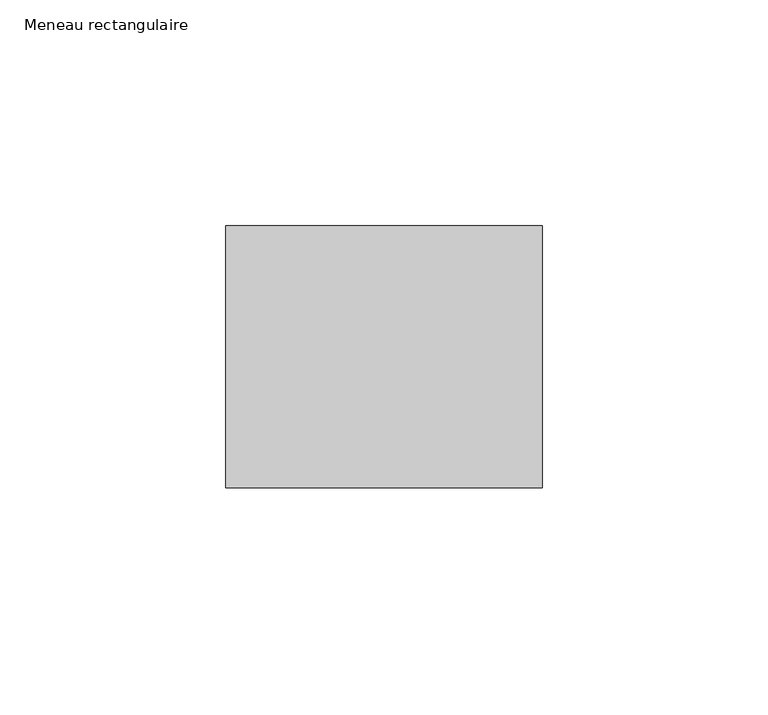
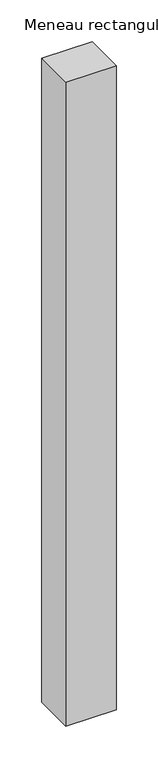
"""IFC4 building model written with IfcOpenShell, lengths in millimetres: member geometry, Meneau rectangulaire."""

from ifc_helpers import new_model, si_unit, frame, origin, place, context, project, spatial, polyline, outline, extrude, source, transform, mapped, element, save


def meneau_rectangulaire_279044de(model_context):
    return source(origin(), model_context, "Body", "SweptSolid", [
        extrude(outline(polyline([(0.0, 29.0), (0.0, -29.0), (-70.0, -29.0), (-70.0, 29.0), (0.0, 29.0)])), frame((0.0, 0.0, -945.1707158), z_axis=(0.0, 0.0, 1.0), x_axis=(1.0, 0.0, 0.0)), (0.0, 0.0, 1.0), 945.1707158),
    ])


if __name__ == "__main__":
    model = new_model("IFC4")
    model_context = context("Model", 3, world=origin())
    ifc_project = project(units=[si_unit("LENGTHUNIT", "METRE", prefix="MILLI")], contexts=[model_context])
    site = spatial("IfcSite", under=ifc_project)
    building = spatial("IfcBuilding", under=site)
    placement = place(None, origin())
    meneau_rectangulaire_shape = meneau_rectangulaire_279044de(model_context)
    element("IfcMember", 1, ObjectType="Meneau rectangulaire", at=placement, inside=building, context=model_context, shape_type="MappedRepresentation", body=[
        mapped(meneau_rectangulaire_shape, transform((0.0, 0.0, 0.0), x_axis=(1.0, 0.0, 0.0), y_axis=(0.0, 1.0, 0.0), z_axis=(0.0, 0.0, 1.0))),
    ])
    save(model, "model.ifc")
